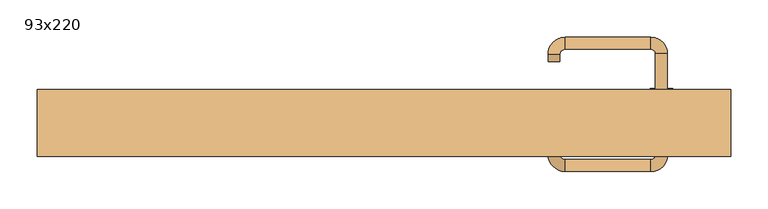
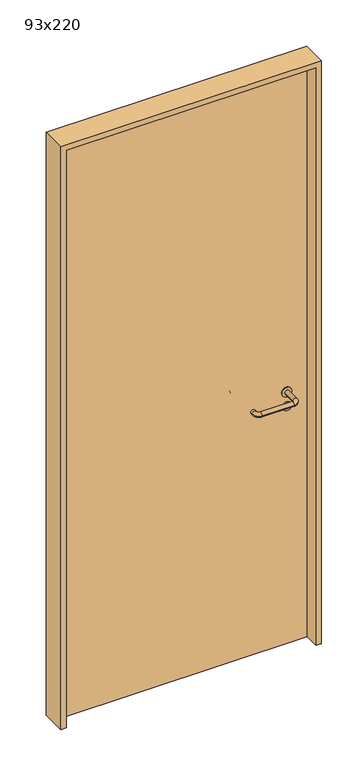
"""IFC4 building model written with IfcOpenShell, lengths in millimetres: door geometry, 93x220."""

import ifcopenshell
import ifcopenshell.guid

model = None  # the IFC model being written
_history = None  # IfcOwnerHistory: only IFC2X3 demands one
_inside = {}  # id of a spatial element -> (the spatial element, [elements in it])
_under = {}  # id of a project, library or spatial element -> (it, [spatial elements below it])
_declared = {}  # id of a project -> (the project, [libraries it declares])
_typed = {}  # id of a type object -> (the type object, [elements of that type])
_made_of = {}  # id of a material, layer set ... -> (it, [elements and type objects made of it])


def new_model(schema):
    """Start an empty IFC model of exactly this schema.

    Asked for "IFC4X3", IfcOpenShell would pick the latest addendum, in which some entities
    have other attributes; the version numbers below select the first issue.
    IFC2X3 requires an IfcOwnerHistory on every rooted entity: one is made here for all.
    """
    global model, _history
    if schema == "IFC4X3":
        model = ifcopenshell.file(schema_version=(4, 3, 0, 0))
    else:
        model = ifcopenshell.file(schema=schema)
    _inside.clear()
    _under.clear()
    _declared.clear()
    _typed.clear()
    _made_of.clear()
    _history = None
    if model.schema == "IFC2X3":
        org = make("IfcOrganization", Name="unknown")
        user = make(
            "IfcPersonAndOrganization",
            ThePerson=make("IfcPerson", FamilyName="unknown"),
            TheOrganization=org,
        )
        app = make(
            "IfcApplication",
            ApplicationDeveloper=org,
            Version="unknown",
            ApplicationFullName="unknown",
            ApplicationIdentifier="unknown",
        )
        _history = make(
            "IfcOwnerHistory",
            OwningUser=user,
            OwningApplication=app,
            ChangeAction="ADDED",
            CreationDate=0,
        )
    return model


def make(cls, **values):
    """One entity of the class cls with the attributes given. An attribute that is None is left unset."""
    return model.create_entity(
        cls, **{name: value for name, value in values.items() if value is not None}
    )


def rooted(cls, **values):
    """An entity with a GlobalId (a new one), such as an element, a storey or a relation."""
    return make(cls, GlobalId=ifcopenshell.guid.new(), OwnerHistory=_history, **values)


def si_unit(unit_type, name, prefix=None):
    """IfcSIUnit, for example si_unit("LENGTHUNIT", "METRE", prefix="MILLI")."""
    return make("IfcSIUnit", UnitType=unit_type, Prefix=prefix, Name=name)


def assignment(units):
    """IfcUnitAssignment: the units of a project."""
    return None if units is None else make("IfcUnitAssignment", Units=units)


def point(xyz):
    """IfcCartesianPoint."""
    return None if xyz is None else make("IfcCartesianPoint", Coordinates=xyz)


def direction(xyz):
    """IfcDirection."""
    return None if xyz is None else make("IfcDirection", DirectionRatios=xyz)


def frame(location, z_axis=None, x_axis=None):
    """IfcAxis2Placement3D, a coordinate frame: its origin and axes. An axis left out is left unset."""
    return make(
        "IfcAxis2Placement3D",
        Location=point(location),
        Axis=direction(z_axis),
        RefDirection=direction(x_axis),
    )


def frame_2d(location, x_axis=None):
    """IfcAxis2Placement2D, a coordinate frame in the plane: its origin and x axis."""
    return make(
        "IfcAxis2Placement2D", Location=point(location), RefDirection=direction(x_axis)
    )


def origin():
    """The frame at (0, 0, 0) with its axes left unset."""
    return frame((0.0, 0.0, 0.0))


def origin_with_axes():
    """The frame at (0, 0, 0) with the z axis (0, 0, 1) and the x axis (1, 0, 0) written out."""
    return frame((0.0, 0.0, 0.0), z_axis=(0.0, 0.0, 1.0), x_axis=(1.0, 0.0, 0.0))


def place(relative_to, where):
    """IfcLocalPlacement: puts the frame where relative to a parent placement (None: the world)."""
    return make(
        "IfcLocalPlacement", PlacementRelTo=relative_to, RelativePlacement=where
    )


def context(
    kind, dimensions, precision=None, world=None, true_north=None, identifier=None
):
    """IfcGeometricRepresentationContext, for example the 3D "Model" context."""
    return make(
        "IfcGeometricRepresentationContext",
        ContextIdentifier=identifier,
        ContextType=kind,
        CoordinateSpaceDimension=dimensions,
        Precision=precision,
        WorldCoordinateSystem=world,
        TrueNorth=true_north,
    )


def project(units=None, contexts=None):
    """IfcProject with its units and contexts."""
    return rooted(
        "IfcProject",
        Name="project",
        RepresentationContexts=contexts,
        UnitsInContext=assignment(units),
    )


def spatial(cls, under=None, at=None, **own):
    """A site, building, storey or space (cls), placed at a placement, below another one or the project."""
    s = rooted(cls, ObjectPlacement=at, **own)
    if under is not None:
        _under.setdefault(under.id(), (under, []))[1].append(s)
    return s


def polyline(points):
    """IfcPolyline through the points."""
    return make("IfcPolyline", Points=[point(p) for p in points])


def circle_curve(where, radius):
    """IfcCircle in the frame where."""
    return make("IfcCircle", Position=where, Radius=radius)


def ellipse_curve(where, semi_axis1, semi_axis2):
    """IfcEllipse in the frame where."""
    return make(
        "IfcEllipse", Position=where, SemiAxis1=semi_axis1, SemiAxis2=semi_axis2
    )


def trimmed(basis, trim1, trim2, sense, master):
    """IfcTrimmedCurve: the piece of a basis curve between two trims."""
    return make(
        "IfcTrimmedCurve",
        BasisCurve=basis,
        Trim1=trim1,
        Trim2=trim2,
        SenseAgreement=sense,
        MasterRepresentation=master,
    )


def segment(curve, same_sense, transition):
    """IfcCompositeCurveSegment."""
    return make(
        "IfcCompositeCurveSegment",
        Transition=transition,
        SameSense=same_sense,
        ParentCurve=curve,
    )


def composite_curve(segments, self_intersect=None):
    """IfcCompositeCurve: segments joined end to end."""
    return make("IfcCompositeCurve", Segments=segments, SelfIntersect=self_intersect)


def outline(outer, holes=None, kind="AREA"):
    """IfcArbitraryClosedProfileDef: a profile drawn as a closed curve; with holes, ...WithVoids."""
    if holes is None:
        return make("IfcArbitraryClosedProfileDef", ProfileType=kind, OuterCurve=outer)
    return make(
        "IfcArbitraryProfileDefWithVoids",
        ProfileType=kind,
        OuterCurve=outer,
        InnerCurves=holes,
    )


def extrude(swept, where, along, depth):
    """IfcExtrudedAreaSolid: the profile swept, set in the frame where, extruded along a direction by depth."""
    return make(
        "IfcExtrudedAreaSolid",
        SweptArea=swept,
        Position=where,
        ExtrudedDirection=direction(along),
        Depth=depth,
    )


def shape(context_of_items, identifier, shape_type, items):
    """IfcShapeRepresentation: the items that make up one representation, for example the "Body"."""
    return make(
        "IfcShapeRepresentation",
        ContextOfItems=context_of_items,
        RepresentationIdentifier=identifier,
        RepresentationType=shape_type,
        Items=items,
    )


def source(mapping_origin, context_of_items, identifier, shape_type, items):
    """IfcRepresentationMap: a shape defined once, which mapped items show again and again."""
    return make(
        "IfcRepresentationMap",
        MappingOrigin=mapping_origin,
        MappedRepresentation=shape(context_of_items, identifier, shape_type, items),
    )


def transform(
    local_origin,
    x_axis=None,
    y_axis=None,
    z_axis=None,
    scale=None,
    scale2=None,
    scale3=None,
    uniform=True,
):
    """IfcCartesianTransformationOperator3D, or its non-uniform kind. x_axis, y_axis, z_axis: its Axis1, 2, 3."""
    if uniform:
        return make(
            "IfcCartesianTransformationOperator3D",
            Axis1=direction(x_axis),
            Axis2=direction(y_axis),
            LocalOrigin=point(local_origin),
            Scale=scale,
            Axis3=direction(z_axis),
        )
    return make(
        "IfcCartesianTransformationOperator3DnonUniform",
        Axis1=direction(x_axis),
        Axis2=direction(y_axis),
        LocalOrigin=point(local_origin),
        Scale=scale,
        Axis3=direction(z_axis),
        Scale2=scale2,
        Scale3=scale3,
    )


def mapped(mapping_source, mapping_target):
    """IfcMappedItem: shows the shape of a source again, moved by a transform."""
    return make(
        "IfcMappedItem", MappingSource=mapping_source, MappingTarget=mapping_target
    )


def made_of(thing, what):
    """Note that an element or type object is made of a material, layer set ...; save() writes the relation."""
    if what is not None:
        _made_of.setdefault(what.id(), (what, []))[1].append(thing)
    return thing


def element(
    cls,
    number,
    at=None,
    inside=None,
    cuts=None,
    type_object=None,
    material=None,
    context=None,
    identifier="Body",
    shape_type=None,
    held_by="IfcProductDefinitionShape",
    body=None,
    shapes=None,
    **own,
):
    """One element of the class cls, such as IfcWall. Its Tag is "e" and its number.

    at: its placement. inside: the storey or other place that contains it. cuts: it is an
    opening in that element (IfcRelVoidsElement). A single representation is given by context,
    identifier, shape_type and body (its items); several are given by shapes. held_by: the class
    of the entity that holds the representations. save() writes the other relations.
    """
    e = rooted(cls, Tag="e%d" % number, ObjectPlacement=at, **own)
    if body is not None:
        shapes = [shape(context, identifier, shape_type, body)]
    if shapes is not None:
        e.Representation = make(held_by, Representations=shapes)
    if inside is not None:
        _inside.setdefault(inside.id(), (inside, []))[1].append(e)
    if cuts is not None:
        rooted(
            "IfcRelVoidsElement", RelatingBuildingElement=cuts, RelatedOpeningElement=e
        )
    if type_object is not None:
        _typed.setdefault(type_object.id(), (type_object, []))[1].append(e)
    return made_of(e, material)


def aggregate(whole, parts):
    """IfcRelAggregates: a whole, such as a stair, and the parts it consists of."""
    return rooted("IfcRelAggregates", RelatingObject=whole, RelatedObjects=parts)


def save(model, path):
    """Write the relations noted so far, then the file.

    IfcRelAggregates (storeys below a building ...), IfcRelContainedInSpatialStructure (elements
    in a storey), IfcRelDefinesByType, IfcRelAssociatesMaterial and IfcRelDeclares: one each for
    every whole, place, type object, material and project.
    """
    for whole, parts in _under.values():
        aggregate(whole, parts)
    for where, things in _inside.values():
        rooted(
            "IfcRelContainedInSpatialStructure",
            RelatedElements=things,
            RelatingStructure=where,
        )
    for kind, things in _typed.values():
        rooted("IfcRelDefinesByType", RelatedObjects=things, RelatingType=kind)
    for what, things in _made_of.values():
        rooted("IfcRelAssociatesMaterial", RelatedObjects=things, RelatingMaterial=what)
    for by, libraries in _declared.values():
        rooted("IfcRelDeclares", RelatingContext=by, RelatedDefinitions=libraries)
    model.write(path)


def plane_surface(at):
    """IfcPlane: the flat surface through the origin of the frame at, square to its z axis."""
    return make("IfcPlane", Position=at)


def cylinder_surface(at, radius):
    """IfcCylindricalSurface: all points at the distance radius from the z axis of the frame at."""
    return make("IfcCylindricalSurface", Position=at, Radius=radius)


def revolved_surface(curve, axis_point, axis_direction):
    """IfcSurfaceOfRevolution: the curve turned about the line through axis_point along axis_direction."""
    return make(
        "IfcSurfaceOfRevolution",
        SweptCurve=make("IfcArbitraryOpenProfileDef", ProfileType="CURVE", Curve=curve),
        AxisPosition=make("IfcAxis1Placement", Location=point(axis_point), Axis=direction(axis_direction)),
    )


def advanced_brep(points, edges, surfaces, faces):
    """IfcAdvancedBrep: a solid bounded by faces that lie on surfaces and meet in shared edges.

    An edge is (start, end): straight between two places in points (the first is 0);
    or (start, end, curve); or (start, end, curve, False) where it runs against its curve.
    A face is (place in surfaces, loops), or (place, loops, False) where it looks against
    its surface's normal. A loop lists edges by number (the first is 1), with a minus sign
    where the edge is run from its end to its start. The first loop is the outer one.
    """
    corners = [point(p) for p in points]
    vertices = [make("IfcVertexPoint", VertexGeometry=c) for c in corners]
    made = []
    for start, end, *more in edges:
        made.append(
            make(
                "IfcEdgeCurve",
                EdgeStart=vertices[start],
                EdgeEnd=vertices[end],
                EdgeGeometry=more[0] if more else make("IfcPolyline", Points=[corners[start], corners[end]]),
                SameSense=more[1] if len(more) > 1 else True,
            )
        )
    hull = []
    for where, loops, *sense in faces:
        bounds = []
        for j, loop in enumerate(loops):
            ring = [make("IfcOrientedEdge", EdgeElement=made[abs(k) - 1], Orientation=k > 0) for k in loop]
            bounds.append(
                make(
                    "IfcFaceOuterBound" if j == 0 else "IfcFaceBound",
                    Bound=make("IfcEdgeLoop", EdgeList=ring),
                    Orientation=True,
                )
            )
        hull.append(make("IfcAdvancedFace", Bounds=bounds, FaceSurface=surfaces[where], SameSense=sense[0] if sense else True))
    return make("IfcAdvancedBrep", Outer=make("IfcClosedShell", CfsFaces=hull))


def door_93x220_4a97a2d8(model_context):
    return source(origin(), model_context, "Body", "SolidModel", [
        extrude(outline(composite_curve([segment(trimmed(circle_curve(frame_2d((897.3605726, 372.0)), 15.0), [point((897.3605726, 387.0))], [point((897.3605726, 357.0))], False, "CARTESIAN"), True, "CONTINUOUS"), segment(trimmed(circle_curve(frame_2d((897.3605726, 372.0)), 15.0), [point((897.3605726, 357.0))], [point((897.3605726, 387.0))], False, "CARTESIAN"), True, "CONTINUOUS")], self_intersect=False), holes=[composite_curve([segment(trimmed(circle_curve(frame_2d((892.5833211, 371.9398032)), 2.0), [point((892.5833211, 373.9398032))], [point((892.5833211, 369.9398032))], True, "CARTESIAN"), True, "CONTINUOUS"), segment(polyline([(892.5833211, 369.9398032), (902.5833211, 369.9398032)]), True, "CONTINUOUS"), segment(trimmed(circle_curve(frame_2d((902.5833211, 371.9398032)), 2.0), [point((902.5833211, 369.9398032))], [point((902.5833211, 373.9398032))], True, "CARTESIAN"), True, "CONTINUOUS"), segment(polyline([(902.5833211, 373.9398032), (892.5833211, 373.9398032)]), True, "CONTINUOUS")], self_intersect=False)]), frame((0.0, 8.65, 0.0), z_axis=(0.0, 1.0, 0.0), x_axis=(0.0, 0.0, 1.0)), (0.0, 0.0, 1.0), 6.35),
        extrude(outline(composite_curve([segment(trimmed(circle_curve(frame_2d((950.0, 372.0)), 17.526), [point((950.0, 389.526))], [point((950.0, 354.474))], False, "CARTESIAN"), True, "CONTINUOUS"), segment(trimmed(circle_curve(frame_2d((950.0, 372.0)), 17.526), [point((950.0, 354.474))], [point((950.0, 389.526))], False, "CARTESIAN"), True, "CONTINUOUS")], self_intersect=False)), frame((0.0, 11.825, 0.0), z_axis=(0.0, 1.0, 0.0), x_axis=(0.0, 0.0, 1.0)), (0.0, 0.0, 1.0), 3.175),
        advanced_brep(
        [(380.0, 15.0, 950.0), (364.0, 15.0, 950.0), (364.0, -38.0, 950.0), (380.0, -38.0, 950.0), (357.8578644, -44.1421356, 950.0), (357.8578644, -60.1421356, 950.0), (242.8578644, -44.1421356, 950.0), (242.8578644, -60.1421356, 950.0), (236.008622, -37.2928932, 950.0), (220.008622, -37.2928932, 950.0), (220.008622, -27.2928932, 950.0), (236.008622, -27.2928932, 950.0)],
        [
            (0, 1, circle_curve(frame((372.0, 15.0, 950.0), z_axis=(0.0, 1.0, 0.0), x_axis=(-1.0, 0.0, 0.0)), 8.0)),
            (1, 0, circle_curve(frame((372.0, 15.0, 950.0), z_axis=(0.0, 1.0, 0.0), x_axis=(-1.0, 0.0, 0.0)), 8.0)),
            (1, 2),
            (2, 3, circle_curve(frame((372.0, -38.0, 950.0), z_axis=(0.0, 1.0, 0.0), x_axis=(-1.0, 0.0, 0.0)), 8.0)),
            (3, 0),
            (3, 2, circle_curve(frame((372.0, -38.0, 950.0), z_axis=(0.0, 1.0, 0.0), x_axis=(-1.0, 0.0, 0.0)), 8.0)),
            (4, 5, circle_curve(frame((357.8578644, -52.1421356, 950.0), z_axis=(1.0, 0.0, 0.0), x_axis=(0.0, 1.0, 0.0)), 8.0)),
            (5, 3, circle_curve(frame((357.8578644, -38.0, 950.0), z_axis=(0.0, 0.0, 1.0), x_axis=(1.0, 0.0, 0.0)), 22.1421356)),
            (2, 4, circle_curve(frame((357.8578644, -38.0, 950.0), z_axis=(0.0, 0.0, -1.0), x_axis=(1.0, 0.0, 0.0)), 6.1421356)),
            (5, 4, circle_curve(frame((357.8578644, -52.1421356, 950.0), z_axis=(1.0, 0.0, 0.0), x_axis=(0.0, 1.0, 0.0)), 8.0)),
            (4, 6),
            (6, 7, circle_curve(frame((242.8578644, -52.1421356, 950.0), z_axis=(1.0, 0.0, 0.0), x_axis=(0.0, 1.0, 0.0)), 8.0)),
            (7, 5),
            (7, 6, circle_curve(frame((242.8578644, -52.1421356, 950.0), z_axis=(1.0, 0.0, 0.0), x_axis=(0.0, 1.0, 0.0)), 8.0)),
            (8, 9, circle_curve(frame((228.008622, -37.2928932, 950.0), z_axis=(0.0, -1.0, 0.0), x_axis=(1.0, 0.0, 0.0)), 8.0)),
            (9, 7, circle_curve(frame((242.8578644, -37.2928932, 950.0), z_axis=(0.0, 0.0, 1.0), x_axis=(0.0, -1.0, 0.0)), 22.8492424)),
            (6, 8, circle_curve(frame((242.8578644, -37.2928932, 950.0), z_axis=(0.0, 0.0, -1.0), x_axis=(0.0, -1.0, 0.0)), 6.8492424)),
            (9, 8, circle_curve(frame((228.008622, -37.2928932, 950.0), z_axis=(0.0, -1.0, 0.0), x_axis=(1.0, 0.0, 0.0)), 8.0)),
            (10, 11, circle_curve(frame((228.008622, -27.2928932, 950.0), z_axis=(0.0, 1.0, 0.0), x_axis=(1.0, 0.0, 0.0)), 8.0)),
            (11, 10, circle_curve(frame((228.008622, -27.2928932, 950.0), z_axis=(0.0, 1.0, 0.0), x_axis=(1.0, 0.0, 0.0)), 8.0)),
            (8, 11),
            (10, 9),
        ],
        [
            plane_surface(frame((372.0, 15.0, 0.0), z_axis=(0.0, 1.0, 0.0), x_axis=(0.0, 0.0, 1.0))),
            cylinder_surface(frame((372.0, 15.0, 950.0), z_axis=(0.0, 1.0, 0.0), x_axis=(-1.0, 0.0, 0.0)), 8.0),
            revolved_surface(trimmed(ellipse_curve(frame((372.0, -38.0, 950.0), z_axis=(0.0, -1.0, 0.0), x_axis=(-1.0, 0.0, 0.0)), 8.0, 8.0), [point((380.0, -38.0, 950.0))], [point((364.0, -38.0, 950.0))], True, "CARTESIAN"), (357.8578644, -38.0, 0.0), (0.0, 0.0, 1.0)),
            revolved_surface(trimmed(ellipse_curve(frame((372.0, -38.0, 950.0), z_axis=(0.0, -1.0, 0.0), x_axis=(-1.0, 0.0, 0.0)), 8.0, 8.0), [point((364.0, -38.0, 950.0))], [point((380.0, -38.0, 950.0))], True, "CARTESIAN"), (357.8578644, -38.0, 0.0), (0.0, 0.0, 1.0)),
            cylinder_surface(frame((357.8578644, -52.1421356, 950.0), z_axis=(1.0, 0.0, 0.0), x_axis=(0.0, 1.0, 0.0)), 8.0),
            revolved_surface(trimmed(ellipse_curve(frame((242.8578644, -52.1421356, 950.0), z_axis=(-1.0, 0.0, 0.0), x_axis=(0.0, 1.0, 0.0)), 8.0, 8.0), [point((242.8578644, -60.1421356, 950.0))], [point((242.8578644, -44.1421356, 950.0))], True, "CARTESIAN"), (242.8578644, -37.2928932, 0.0), (0.0, 0.0, 1.0)),
            revolved_surface(trimmed(ellipse_curve(frame((242.8578644, -52.1421356, 950.0), z_axis=(-1.0, 0.0, 0.0), x_axis=(0.0, 1.0, 0.0)), 8.0, 8.0), [point((242.8578644, -44.1421356, 950.0))], [point((242.8578644, -60.1421356, 950.0))], True, "CARTESIAN"), (242.8578644, -37.2928932, 0.0), (0.0, 0.0, 1.0)),
            plane_surface(frame((228.008622, -27.2928932, 0.0), z_axis=(0.0, 1.0, 0.0), x_axis=(0.0, 0.0, 1.0))),
            cylinder_surface(frame((228.008622, -37.2928932, 950.0), z_axis=(0.0, -1.0, 0.0), x_axis=(1.0, 0.0, 0.0)), 8.0),
        ],
        [
            (0, [[1, 2]]),
            (1, [[3, 4, 5, -2]]),
            (1, [[-5, 6, -3, -1]]),
            (2, [[7, 8, -4, 9]]),
            (3, [[10, -9, -6, -8]]),
            (4, [[11, 12, 13, -7]]),
            (4, [[-13, 14, -11, -10]]),
            (5, [[15, 16, -12, 17]]),
            (6, [[18, -17, -14, -16]]),
            (7, [[19, 20]]),
            (8, [[21, -19, 22, -15]]),
            (8, [[-22, -20, -21, -18]]),
        ],
    ),
        extrude(outline(composite_curve([segment(trimmed(circle_curve(frame_2d((0.0, -15.0)), 15.0), [point((0.0, -30.0))], [point((0.0, 0.0))], False, "CARTESIAN"), True, "CONTINUOUS"), segment(trimmed(circle_curve(frame_2d((0.0, -15.0)), 15.0), [point((0.0, 0.0))], [point((0.0, -30.0))], False, "CARTESIAN"), True, "CONTINUOUS")], self_intersect=False), holes=[composite_curve([segment(trimmed(circle_curve(frame_2d((4.7772515, -14.9398032)), 2.0), [point((4.7772515, -16.9398032))], [point((4.7772515, -12.9398032))], True, "CARTESIAN"), True, "CONTINUOUS"), segment(polyline([(4.7772515, -12.9398032), (-5.2227485, -12.9398032)]), True, "CONTINUOUS"), segment(trimmed(circle_curve(frame_2d((-5.2227485, -14.9398032)), 2.0), [point((-5.2227485, -12.9398032))], [point((-5.2227485, -16.9398032))], True, "CARTESIAN"), True, "CONTINUOUS"), segment(polyline([(-5.2227485, -16.9398032), (4.7772515, -16.9398032)]), True, "CONTINUOUS")], self_intersect=False)]), frame((357.0, 45.0, 897.3605726), z_axis=(1.8870575173328306e-12, 1.0, 0.0), x_axis=(0.0, 0.0, -1.0)), (0.0, 0.0, 1.0), 6.35),
        extrude(outline(composite_curve([segment(trimmed(circle_curve(frame_2d((0.0, -17.526)), 17.526), [point((0.0, -35.052))], [point((0.0, 0.0))], False, "CARTESIAN"), True, "CONTINUOUS"), segment(trimmed(circle_curve(frame_2d((0.0, -17.526)), 17.526), [point((0.0, 0.0))], [point((0.0, -35.052))], False, "CARTESIAN"), True, "CONTINUOUS")], self_intersect=False)), frame((354.474, 45.0, 950.0), z_axis=(1.8870575173328306e-12, 1.0, 0.0), x_axis=(0.0, 0.0, -1.0)), (0.0, 0.0, 1.0), 3.175),
        advanced_brep(
        [(380.0, 45.0, 950.0), (364.0, 45.0, 950.0), (380.0, 98.0, 950.0), (364.0, 98.0, 950.0), (357.8578644, 104.1421356, 950.0), (357.8578644, 120.1421356, 950.0), (242.8578644, 120.1421356, 950.0), (242.8578644, 104.1421356, 950.0), (236.008622, 97.2928932, 950.0), (220.008622, 97.2928932, 950.0), (220.008622, 87.2928932, 950.0), (236.008622, 87.2928932, 950.0)],
        [
            (0, 1, circle_curve(frame((372.0, 45.0, 950.0), z_axis=(-1.888672253512351e-12, -1.0, 0.0), x_axis=(-1.0, 1.888672253512351e-12, 0.0)), 8.0)),
            (1, 0, circle_curve(frame((372.0, 45.0, 950.0), z_axis=(-1.888672253512351e-12, -1.0, 0.0), x_axis=(-1.0, 1.888672253512351e-12, 0.0)), 8.0)),
            (0, 2),
            (2, 3, circle_curve(frame((372.0, 98.0, 950.0), z_axis=(-1.888672253512351e-12, -1.0, 0.0), x_axis=(-1.0, 1.888672253512351e-12, 0.0)), 8.0)),
            (3, 1),
            (3, 2, circle_curve(frame((372.0, 98.0, 950.0), z_axis=(-1.888672253512351e-12, -1.0, 0.0), x_axis=(-1.0, 1.888672253512351e-12, 0.0)), 8.0)),
            (4, 3, circle_curve(frame((357.8578644, 98.0, 950.0), z_axis=(0.0, 0.0, -1.0), x_axis=(1.0, -1.880717803715015e-12, 0.0)), 6.1421356)),
            (2, 5, circle_curve(frame((357.8578644, 98.0, 950.0), z_axis=(0.0, 0.0, 1.0), x_axis=(1.0, -1.880717803715015e-12, 0.0)), 22.1421356)),
            (5, 4, circle_curve(frame((357.8578644, 112.1421356, 950.0), z_axis=(1.0, -1.913702061528922e-12, 0.0), x_axis=(-1.913702061528922e-12, -1.0, 0.0)), 8.0)),
            (4, 5, circle_curve(frame((357.8578644, 112.1421356, 950.0), z_axis=(1.0, -1.913702061528922e-12, 0.0), x_axis=(-1.913702061528922e-12, -1.0, 0.0)), 8.0)),
            (5, 6),
            (6, 7, circle_curve(frame((242.8578644, 112.1421356, 950.0), z_axis=(1.0, -1.913719828541269e-12, 0.0), x_axis=(-1.913719828541269e-12, -1.0, 0.0)), 8.0)),
            (7, 4),
            (7, 6, circle_curve(frame((242.8578644, 112.1421356, 950.0), z_axis=(1.0, -1.913719828541269e-12, 0.0), x_axis=(-1.913719828541269e-12, -1.0, 0.0)), 8.0)),
            (8, 7, circle_curve(frame((242.8578644, 97.2928932, 950.0), z_axis=(0.0, 0.0, -1.0), x_axis=(1.9120873253494017e-12, 1.0, 0.0)), 6.8492424)),
            (6, 9, circle_curve(frame((242.8578644, 97.2928932, 950.0), z_axis=(0.0, 0.0, 1.0), x_axis=(1.9120873253494017e-12, 1.0, 0.0)), 22.8492424)),
            (9, 8, circle_curve(frame((228.008622, 97.2928932, 950.0), z_axis=(1.890448610351751e-12, 1.0, 0.0), x_axis=(1.0, -1.890448610351751e-12, 0.0)), 8.0)),
            (8, 9, circle_curve(frame((228.008622, 97.2928932, 950.0), z_axis=(1.8888942981172756e-12, 1.0, 0.0), x_axis=(1.0, -1.8888942981172756e-12, 0.0)), 8.0)),
            (10, 11, circle_curve(frame((228.008622, 87.2928932, 950.0), z_axis=(-1.8903642334018795e-12, -1.0, 0.0), x_axis=(1.0, -1.8903642334018795e-12, 0.0)), 8.0)),
            (11, 10, circle_curve(frame((228.008622, 87.2928932, 950.0), z_axis=(-1.8903642334018795e-12, -1.0, 0.0), x_axis=(1.0, -1.8903642334018795e-12, 0.0)), 8.0)),
            (9, 10),
            (11, 8),
        ],
        [
            plane_surface(frame((372.0, 45.0, 0.0), z_axis=(-1.8870575173328306e-12, -1.0, 0.0), x_axis=(0.0, 0.0, 1.0))),
            cylinder_surface(frame((372.0, 45.0, 950.0), z_axis=(-1.888672253512351e-12, -1.0, 0.0), x_axis=(-1.0, 1.888672253512351e-12, 0.0)), 8.0),
            revolved_surface(trimmed(ellipse_curve(frame((372.0, 98.0, 950.0), z_axis=(-1.8823325398945356e-12, -1.0, 0.0), x_axis=(-1.0, 1.8823325398945356e-12, 0.0)), 8.0, 8.0), [point((380.0, 98.0, 950.0))], [point((364.0, 98.0, 950.0))], True, "CARTESIAN"), (357.8578644, 98.0, 0.0), (0.0, 0.0, 1.0)),
            revolved_surface(trimmed(ellipse_curve(frame((372.0, 98.0, 950.0), z_axis=(-1.8823325398945356e-12, -1.0, 0.0), x_axis=(-1.0, 1.8823325398945356e-12, 0.0)), 8.0, 8.0), [point((364.0, 98.0, 950.0))], [point((380.0, 98.0, 950.0))], True, "CARTESIAN"), (357.8578644, 98.0, 0.0), (0.0, 0.0, 1.0)),
            cylinder_surface(frame((357.8578644, 112.1421356, 950.0), z_axis=(1.0, -1.913719828541269e-12, 0.0), x_axis=(-1.913719828541269e-12, -1.0, 0.0)), 8.0),
            revolved_surface(trimmed(ellipse_curve(frame((242.8578644, 112.1421356, 950.0), z_axis=(1.0, -1.913702061528922e-12, 0.0), x_axis=(-1.913702061528922e-12, -1.0, 0.0)), 8.0, 8.0), [point((242.8578644, 120.1421356, 950.0))], [point((242.8578644, 104.1421356, 950.0))], True, "CARTESIAN"), (242.8578644, 97.2928932, 0.0), (0.0, 0.0, 1.0)),
            revolved_surface(trimmed(ellipse_curve(frame((242.8578644, 112.1421356, 950.0), z_axis=(1.0, -1.913702061528922e-12, 0.0), x_axis=(-1.913702061528922e-12, -1.0, 0.0)), 8.0, 8.0), [point((242.8578644, 104.1421356, 950.0))], [point((242.8578644, 120.1421356, 950.0))], True, "CARTESIAN"), (242.8578644, 97.2928932, 0.0), (0.0, 0.0, 1.0)),
            plane_surface(frame((228.008622, 87.2928932, 0.0), z_axis=(-1.8887494972223595e-12, -1.0, 0.0), x_axis=(0.0, 0.0, 1.0))),
            cylinder_surface(frame((228.008622, 97.2928932, 950.0), z_axis=(1.8903642334018795e-12, 1.0, 0.0), x_axis=(1.0, -1.8903642334018795e-12, 0.0)), 8.0),
        ],
        [
            (0, [[1, 2]]),
            (1, [[-1, 3, 4, 5]]),
            (1, [[-2, -5, 6, -3]]),
            (2, [[7, -4, 8, 9]]),
            (3, [[-8, -6, -7, 10]]),
            (4, [[-9, 11, 12, 13]]),
            (4, [[-10, -13, 14, -11]]),
            (5, [[15, -12, 16, 17]]),
            (6, [[-16, -14, -15, 18]]),
            (7, [[19, 20]]),
            (8, [[-17, 21, -20, 22]]),
            (8, [[-18, -22, -19, -21]]),
        ],
    ),
        extrude(outline(polyline([(2180.0, 445.0), (0.0, 445.0), (0.0, 465.0), (2200.0, 465.0), (2200.0, -465.0), (0.0, -465.0), (0.0, -445.0), (2180.0, -445.0), (2180.0, 445.0)])), frame((0.0, -40.0, 0.0), z_axis=(0.0, 1.0, 0.0), x_axis=(0.0, 0.0, 1.0)), (0.0, 0.0, 1.0), 90.0),
        extrude(outline(polyline([(-445.0, 45.0), (445.0, 45.0), (445.0, 15.0), (-445.0, 15.0), (-445.0, 45.0)])), origin_with_axes(), (0.0, 0.0, 1.0), 2180.0),
    ])


if __name__ == "__main__":
    model = new_model("IFC4")
    model_context = context("Model", 3, world=origin())
    ifc_project = project(units=[si_unit("LENGTHUNIT", "METRE", prefix="MILLI")], contexts=[model_context])
    site = spatial("IfcSite", under=ifc_project)
    building = spatial("IfcBuilding", under=site)
    placement = place(None, origin())
    door_93x220_shape = door_93x220_4a97a2d8(model_context)
    element("IfcDoor", 1, ObjectType="93x220", at=placement, inside=building, context=model_context, shape_type="MappedRepresentation", body=[
        mapped(door_93x220_shape, transform((0.0, 0.0, 0.0), x_axis=(1.0, 0.0, 0.0), y_axis=(0.0, 1.0, 0.0), z_axis=(0.0, 0.0, 1.0))),
    ])
    save(model, "model.ifc")
